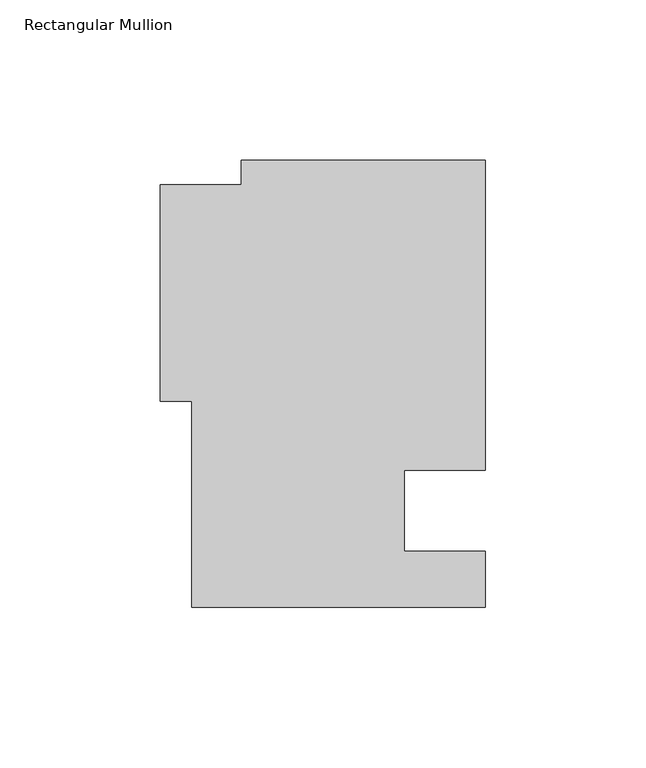
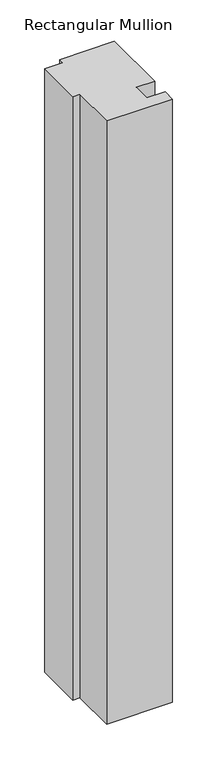
"""IFC4 building model written with IfcOpenShell, lengths in millimetres: member geometry, Rectangular Mullion."""

from ifc_helpers import new_model, si_unit, frame, origin, place, context, project, spatial, polyline, outline, extrude, source, transform, mapped, element, save


def rectangular_mullion_16c87256(model_context):
    return source(origin(), model_context, "Body", "SweptSolid", [
        extrude(outline(polyline([(42.4344027, 109.5375), (42.4344027, 12.7), (17.0344027, 12.7), (17.0344027, -12.7), (42.4344027, -12.7), (42.4344027, -30.1625), (-49.3027147, -30.1625), (-49.3027147, 34.190559), (-59.1655973, 34.190559), (-59.1655973, 101.8311478), (-33.7655973, 101.8311478), (-33.7655973, 109.5375), (42.4344027, 109.5375)])), frame((0.0, 0.0, -887.8405973), z_axis=(0.0, 0.0, 1.0), x_axis=(1.0, 0.0, 0.0)), (0.0, 0.0, 1.0), 887.8405973),
    ])


if __name__ == "__main__":
    model = new_model("IFC4")
    model_context = context("Model", 3, world=origin())
    ifc_project = project(units=[si_unit("LENGTHUNIT", "METRE", prefix="MILLI")], contexts=[model_context])
    site = spatial("IfcSite", under=ifc_project)
    building = spatial("IfcBuilding", under=site)
    placement = place(None, origin())
    rectangular_mullion_shape = rectangular_mullion_16c87256(model_context)
    element("IfcMember", 1, ObjectType="Rectangular Mullion", at=placement, inside=building, context=model_context, shape_type="MappedRepresentation", body=[
        mapped(rectangular_mullion_shape, transform((0.0, 0.0, 0.0), x_axis=(1.0, 0.0, 0.0), y_axis=(0.0, 1.0, 0.0), z_axis=(0.0, 0.0, 1.0))),
    ])
    save(model, "model.ifc")
